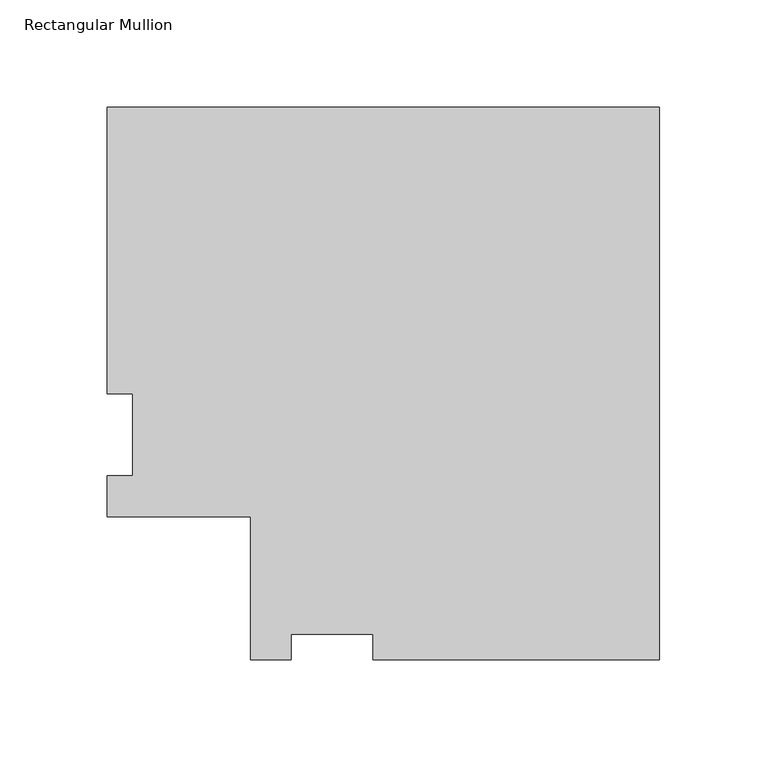
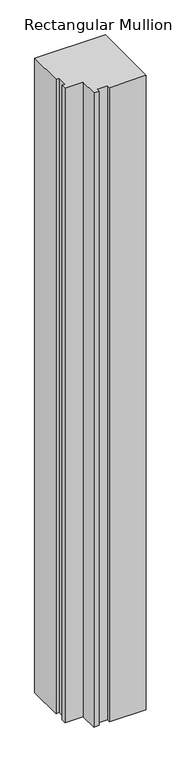
"""IFC4 building model written with IfcOpenShell, lengths in millimetres: member geometry, Rectangular Mullion."""

from ifc_helpers import new_model, si_unit, frame, origin, place, context, project, spatial, polyline, outline, extrude, source, transform, mapped, element, save


def rectangular_mullion_a2552811(model_context):
    return source(origin(), model_context, "Body", "SweptSolid", [
        extrude(outline(polyline([(0.0, -104.775), (-133.35, -104.775), (-133.35, -92.8624), (-171.4504842, -92.8624), (-171.4504842, -104.775), (-190.5, -104.775), (-190.5, -38.1), (-257.175, -38.1), (-257.175, -19.0504842), (-245.2624, -19.0504842), (-245.2624, 19.05), (-257.175, 19.05), (-257.175, 152.4), (0.0, 152.4), (0.0, -104.775)])), frame((0.0, 0.0, -2438.4), z_axis=(0.0, 0.0, 1.0), x_axis=(1.0, 0.0, 0.0)), (0.0, 0.0, 1.0), 2438.4),
    ])


if __name__ == "__main__":
    model = new_model("IFC4")
    model_context = context("Model", 3, world=origin())
    ifc_project = project(units=[si_unit("LENGTHUNIT", "METRE", prefix="MILLI")], contexts=[model_context])
    site = spatial("IfcSite", under=ifc_project)
    building = spatial("IfcBuilding", under=site)
    placement = place(None, origin())
    rectangular_mullion_shape = rectangular_mullion_a2552811(model_context)
    element("IfcMember", 1, ObjectType="Rectangular Mullion", at=placement, inside=building, context=model_context, shape_type="MappedRepresentation", body=[
        mapped(rectangular_mullion_shape, transform((0.0, 0.0, 0.0), x_axis=(1.0, 0.0, 0.0), y_axis=(0.0, 1.0, 0.0), z_axis=(0.0, 0.0, 1.0))),
    ])
    save(model, "model.ifc")
